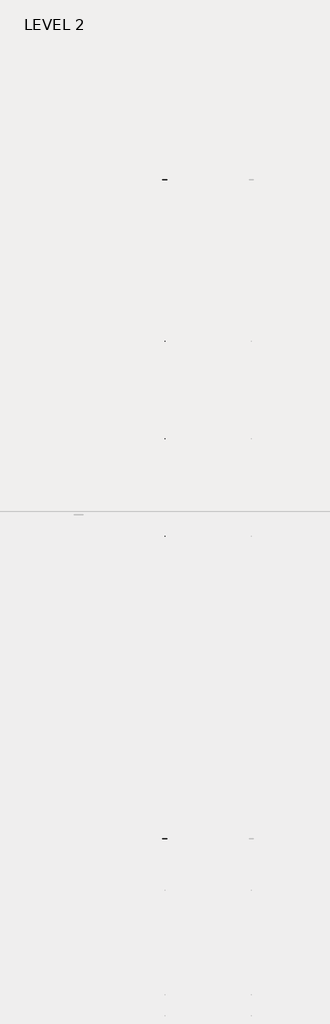
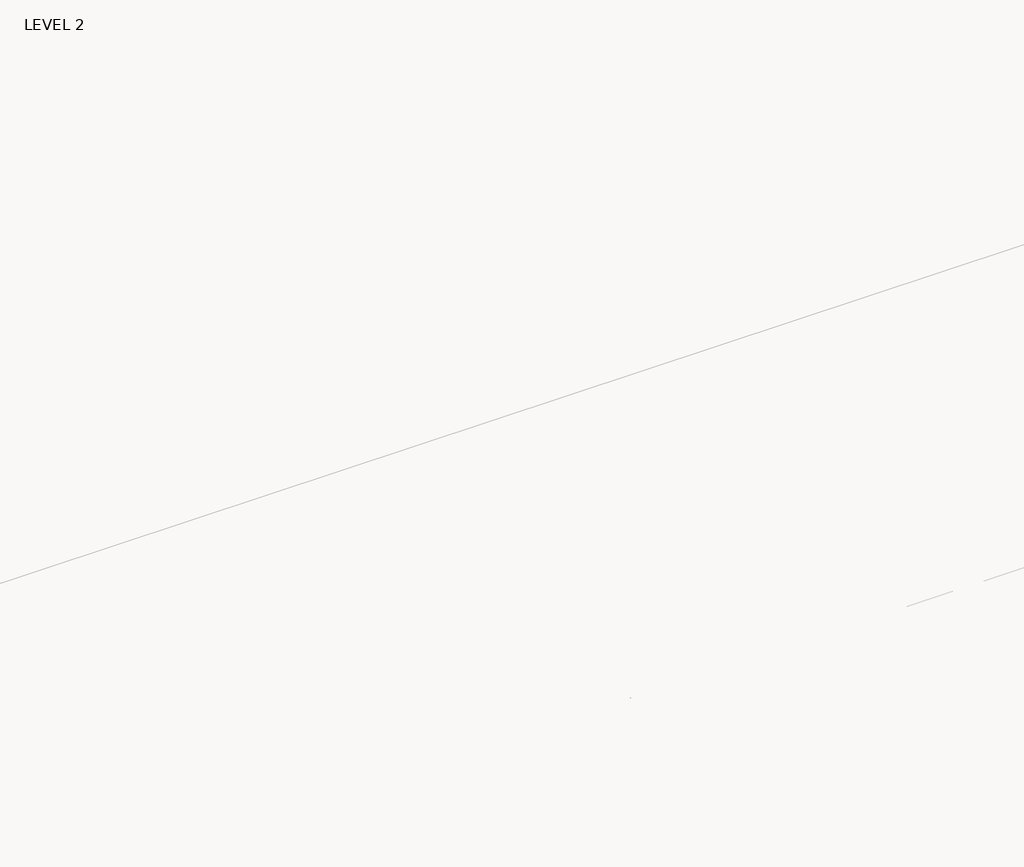
# One storey, part 29 of 67: 1 beam.
"""IFC4 building model written with IfcOpenShell, lengths in millimetres."""

from ifc_helpers import new_model, si_unit, frame, origin, place, context, project, spatial, polyline, outline, extrude, faceted_brep, element, save

model = new_model("IFC4")

# Units and contexts
model_context = context("Model", 3, world=origin())
ifc_project = project(units=[si_unit("LENGTHUNIT", "METRE", prefix="MILLI")], contexts=[model_context])

# Site, building, storey
site = spatial("IfcSite", under=ifc_project)
building = spatial("IfcBuilding", under=site)
storey = spatial("IfcBuildingStorey", under=building, Name="LEVEL 2", Elevation=6908.8)

# Beam
placement = place(None, origin())
element("IfcBeam", 1, ObjectType="K-Series Bar Joist-Angle Web : 30K7", at=placement, inside=storey, context=model_context, shape_type="SolidModel", body=[
    extrude(outline(polyline([(0.0, -9.525), (0.0, 0.0), (1596.0115821, 0.0), (1596.0115821, -9.525), (0.0, -9.525)])), frame((20271.3014942, 3035.5673183, 6301.5781002), z_axis=(0.0, -0.45556647358837693, 0.8902017682201327), x_axis=(0.0, -0.8902017682201327, -0.45556647358837693)), (0.0, 0.0, 1.0), 9.525),
    extrude(outline(polyline([(0.0, -9.525), (0.0, 0.0), (1596.0115821, 0.0), (1596.0115821, -9.525), (0.0, -9.525)])), frame((20261.7764942, -8185.9996768, 6276.4021698), z_axis=(0.0, 0.451567517547248, 0.892236951205349), x_axis=(0.0, 0.8922369512053487, -0.4515675175472479)), (0.0, 0.0, 1.0), 9.525),
    extrude(outline(polyline([(4.7625, 4.7625), (4.7625, -4.7625), (-4.7625, -4.7625), (-4.7625, 4.7625), (4.7625, 4.7625)])), frame((20266.5389942, 1612.6253505, 5578.7283179), z_axis=(0.0, 0.4986662398564941, 0.8667940823675401), x_axis=(-1.0, 0.0, 0.0)), (0.0, 0.0, 1.0), 836.2278721),
    extrude(outline(polyline([(4.7625, 4.7625), (4.7625, -4.7625), (-4.7625, -4.7625), (-4.7625, 4.7625), (4.7625, 4.7625)])), frame((20266.5389942, -6759.8285784, 5559.9444602), z_axis=(0.0, -0.5025505586222128, 0.8645478217128895), x_axis=(-1.0, 0.0, 0.0)), (0.0, 0.0, 1.0), 836.2278721),
    extrude(outline(polyline([(0.0, 0.0), (31.75, 0.0), (31.75, -6.35), (6.35, -6.35), (6.35, -31.75), (0.0, -31.75), (0.0, 0.0)])), frame((20271.3014942, -6861.4140764, 5553.3665341), z_axis=(0.0, 0.9999974832944328, 0.002243525083556974), x_axis=(1.0, 0.0, 0.0)), (0.0, 0.0, 1.0), 8575.675),
    extrude(outline(polyline([(-9.525, 0.0), (-9.525, -31.75), (-15.875, -31.75), (-15.875, -6.35), (-41.275, -6.35), (-41.275, 0.0), (-9.525, 0.0)])), frame((20271.3014942, -6861.4140764, 5553.3665341), z_axis=(0.0, 0.9999974832944328, 0.002243525083556974), x_axis=(1.0, 0.0, 0.0)), (0.0, 0.0, 1.0), 8575.675),
    extrude(outline(polyline([(-31.75, 0.0), (0.0, 0.0), (0.0, -6.35), (-25.4, -6.35), (-25.4, -31.75), (-31.75, -31.75), (-31.75, 0.0)])), frame((20303.0514942, -8285.3775989, 6248.6735861), z_axis=(0.0, 0.9999974832944328, 0.002243525083556974), x_axis=(1.0, 0.0, 0.0)), (0.0, 0.0, 1.0), 101.6),
    extrude(outline(polyline([(-41.275, 0.0), (-41.275, -31.75), (-47.625, -31.75), (-47.625, -6.35), (-73.025, -6.35), (-73.025, 0.0), (-41.275, 0.0)])), frame((20303.0514942, -8285.3775989, 6248.6735861), z_axis=(0.0, 0.9999974832944328, 0.002243525083556974), x_axis=(1.0, 0.0, 0.0)), (0.0, 0.0, 1.0), 101.6),
    extrude(outline(polyline([(0.0, 0.0), (31.75, 0.0), (31.75, -6.35), (6.3500001, -6.35), (6.3500001, -31.75), (0.0, -31.75), (0.0, 0.0)])), frame((20261.7764942, 3033.4689149, 6274.067766), z_axis=(0.0, 0.9999974832944328, 0.002243525083556974), x_axis=(0.0, -0.002243525083556974, 0.9999974832944328)), (0.0, 0.0, 1.0), 101.6),
    extrude(outline(polyline([(0.0, 41.275), (6.3500001, 41.275), (6.3500001, 15.875), (31.75, 15.875), (31.75, 9.525), (0.0, 9.525), (0.0, 41.275)])), frame((20261.7764942, 3033.4689149, 6274.067766), z_axis=(0.0, 0.9999974832944328, 0.002243525083556974), x_axis=(0.0, -0.002243525083556974, 0.9999974832944328)), (0.0, 0.0, 1.0), 101.6),
    extrude(outline(polyline([(0.0, 0.0), (31.75, 0.0), (31.75, -6.35), (6.3500001, -6.35), (6.3500001, -31.75), (0.0, -31.75), (0.0, 0.0)])), frame((20271.3014942, -8285.5200627, 6312.1734263), z_axis=(0.0, 0.9999974832944328, 0.002243525083556974), x_axis=(0.0, 0.002243525083556974, -0.9999974832944328)), (0.0, 0.0, 1.0), 11420.475),
    extrude(outline(polyline([(0.0, 9.525), (0.0, 41.275), (6.3500001, 41.275), (6.3500001, 15.875), (31.75, 15.875), (31.75, 9.525), (0.0, 9.525)])), frame((20271.3014942, -8285.5200627, 6312.1734263), z_axis=(0.0, 0.9999974832944328, 0.002243525083556974), x_axis=(0.0, 0.002243525083556974, -0.9999974832944328)), (0.0, 0.0, 1.0), 11420.475),
    faceted_brep([(20266.5389942, 1612.5897345, 5594.6032779), (20266.5389942, 1612.6324737, 5575.5533259), (20261.7764942, 1612.6324737, 5575.5533259), (20261.7764942, 1612.5897345, 5594.6032779), (20266.5389942, 1611.8662809, 5594.6016549), (20266.5389942, 1204.2909719, 6330.2891009), (20266.5389942, 1185.9644735, 6330.2479849), (20266.5389942, 1186.0072126, 6311.1980328), (20266.5389942, 1193.0806503, 6311.2139023), (20266.5389942, 1600.6559593, 5575.5264562), (20261.7764942, 1600.6559593, 5575.5264562), (20261.7764942, 1581.3312679, 5610.4081886), (20261.7764942, 1585.4971794, 5612.7161288), (20261.7764942, 1206.0305124, 6297.6665096), (20261.7764942, 1201.864601, 6295.3585694), (20261.7764942, 1193.0806503, 6311.2139023), (20261.7764942, 1186.0072126, 6311.1980328), (20261.7764942, 1185.9644735, 6330.2479849), (20261.7764942, 1204.2909719, 6330.2891009), (20261.7764942, 1611.8662809, 5594.6016549), (20249.0764942, 1201.864601, 6295.3585694), (20249.0764942, 1581.3312679, 5610.4081886), (20249.0764942, 1585.4971794, 5612.7161288), (20249.0764942, 1206.0305124, 6297.6665096)], [[[0, 1, 2, 3]], [[1, 0, 4, 5, 6, 7, 8, 9]], [[2, 1, 9, 10]], [[3, 2, 10, 11, 12, 13, 14, 15, 16, 17, 18, 19]], [[0, 3, 19, 4]], [[9, 8, 15, 14, 20, 21, 11, 10]], [[5, 4, 19, 18]], [[7, 6, 17, 16]], [[8, 7, 16, 15]], [[6, 5, 18, 17]], [[21, 22, 12, 11]], [[20, 14, 13, 23]], [[22, 21, 20, 23]], [[12, 22, 23, 13]]]),
    extrude(outline(polyline([(775.3870808, 5573.6749401), (775.3443416, 5592.7248922), (776.0677953, 5592.7265153), (1180.3379431, 6330.2353616), (1198.6644415, 6330.2764776), (1198.7071807, 6311.2265256), (1191.633743, 6311.2106561), (787.3635952, 5573.7018098), (775.3870808, 5573.6749401)])), frame((20266.5389942, 0.0, 0.0), z_axis=(1.0, 0.0, 0.0), x_axis=(0.0, 1.0, 0.0)), (0.0, 0.0, 1.0), 4.7625),
    extrude(outline(polyline([(-4.7625, 4.7624999), (-4.7625, 0.0), (-17.4625, 0.0), (-17.4625, 4.7624999), (-4.7625, 4.7624999)])), frame((20266.5389942, 806.5315763, 5608.6699017), z_axis=(0.0, 0.48067703499299796, 0.876897706708337), x_axis=(-1.0, 0.0, 0.0)), (0.0, 0.0, 1.0), 783.0402132),
    faceted_brep([(20266.5389942, -5922.6188015, 5577.697806), (20266.5389942, -5922.5760624, 5558.647854), (20261.7764942, -5922.5760624, 5558.647854), (20261.7764942, -5922.6188015, 5577.697806), (20266.5389942, -5923.3422552, 5577.696183), (20266.5389942, -6330.9175642, 6313.383629), (20266.5389942, -6349.2440626, 6313.342513), (20266.5389942, -6349.2013234, 6294.2925609), (20266.5389942, -6342.1278857, 6294.3084304), (20266.5389942, -5934.5525767, 5558.6209843), (20261.7764942, -5934.5525767, 5558.6209843), (20261.7764942, -5953.8772681, 5593.5027167), (20261.7764942, -5949.7113567, 5595.8106569), (20261.7764942, -6329.1780236, 6280.7610377), (20261.7764942, -6333.3439351, 6278.4530975), (20261.7764942, -6342.1278857, 6294.3084304), (20261.7764942, -6349.2013234, 6294.2925609), (20261.7764942, -6349.2440626, 6313.342513), (20261.7764942, -6330.9175642, 6313.383629), (20261.7764942, -5923.3422552, 5577.696183), (20249.0764942, -6333.3439351, 6278.4530975), (20249.0764942, -5953.8772681, 5593.5027167), (20249.0764942, -5949.7113567, 5595.8106569), (20249.0764942, -6329.1780236, 6280.7610377)], [[[0, 1, 2, 3]], [[1, 0, 4, 5, 6, 7, 8, 9]], [[2, 1, 9, 10]], [[3, 2, 10, 11, 12, 13, 14, 15, 16, 17, 18, 19]], [[0, 3, 19, 4]], [[9, 8, 15, 14, 20, 21, 11, 10]], [[5, 4, 19, 18]], [[7, 6, 17, 16]], [[8, 7, 16, 15]], [[6, 5, 18, 17]], [[21, 22, 12, 11]], [[20, 14, 13, 23]], [[22, 21, 20, 23]], [[12, 22, 23, 13]]]),
    extrude(outline(polyline([(-6759.8214553, 5556.7694682), (-6759.8641944, 5575.8194203), (-6759.1407407, 5575.8210434), (-6354.8705929, 6313.3298897), (-6336.5440945, 6313.3710057), (-6336.5013554, 6294.3210537), (-6343.5747931, 6294.3051842), (-6747.8449409, 5556.7963379), (-6759.8214553, 5556.7694682)])), frame((20266.5389942, 0.0, 0.0), z_axis=(1.0, 0.0, 0.0), x_axis=(0.0, 1.0, 0.0)), (0.0, 0.0, 1.0), 4.7625),
    extrude(outline(polyline([(-4.7625, 4.7625001), (-4.7625, 0.0), (-17.4625, 0.0), (-17.4625, 4.7625001), (-4.7625, 4.7625001)])), frame((20266.5389942, -6728.6769597, 5591.7644297), z_axis=(0.0, 0.48067703499299796, 0.876897706708337), x_axis=(-1.0, 0.0, 0.0)), (0.0, 0.0, 1.0), 783.0402132),
    faceted_brep([(20266.5389942, 775.3443416, 5592.7248922), (20266.5389942, 775.3870808, 5573.6749401), (20261.7764942, 775.3870808, 5573.6749401), (20261.7764942, 775.3443416, 5592.7248922), (20266.5389942, 774.620888, 5592.7232691), (20266.5389942, 367.045579, 6328.4107152), (20266.5389942, 348.7190806, 6328.3695991), (20266.5389942, 348.7618198, 6309.3196471), (20266.5389942, 355.8352574, 6309.3355165), (20266.5389942, 763.4105664, 5573.6480704), (20261.7764942, 763.4105664, 5573.6480704), (20261.7764942, 744.0858751, 5608.5298028), (20261.7764942, 748.2517865, 5610.837743), (20261.7764942, 368.7851195, 6295.7881239), (20261.7764942, 364.6192081, 6293.4801836), (20261.7764942, 355.8352574, 6309.3355165), (20261.7764942, 348.7618198, 6309.3196471), (20261.7764942, 348.7190806, 6328.3695991), (20261.7764942, 367.045579, 6328.4107152), (20261.7764942, 774.620888, 5592.7232691), (20249.0764942, 364.6192081, 6293.4801836), (20249.0764942, 744.0858751, 5608.5298028), (20249.0764942, 748.2517865, 5610.837743), (20249.0764942, 368.7851195, 6295.7881239)], [[[0, 1, 2, 3]], [[1, 0, 4, 5, 6, 7, 8, 9]], [[2, 1, 9, 10]], [[3, 2, 10, 11, 12, 13, 14, 15, 16, 17, 18, 19]], [[0, 3, 19, 4]], [[9, 8, 15, 14, 20, 21, 11, 10]], [[5, 4, 19, 18]], [[7, 6, 17, 16]], [[8, 7, 16, 15]], [[6, 5, 18, 17]], [[21, 22, 12, 11]], [[20, 14, 13, 23]], [[22, 21, 20, 23]], [[12, 22, 23, 13]]]),
    extrude(outline(polyline([(-61.8583121, 5571.7965544), (-61.9010513, 5590.8465064), (-61.1775976, 5590.8481295), (343.0925503, 6328.3569758), (361.4190486, 6328.3980919), (361.4617878, 6309.3481398), (354.3883501, 6309.3322703), (-49.8817977, 5571.823424), (-61.8583121, 5571.7965544)])), frame((20266.5389942, 0.0, 0.0), z_axis=(1.0, 0.0, 0.0), x_axis=(0.0, 1.0, 0.0)), (0.0, 0.0, 1.0), 4.7625),
    extrude(outline(polyline([(-4.7625, 4.7625), (-4.7625, 0.0), (-17.4625, 0.0), (-17.4625, 4.7625), (-4.7625, 4.7625)])), frame((20266.5389942, -30.7138166, 5606.7915159), z_axis=(0.0, 0.48067703499299796, 0.876897706708337), x_axis=(-1.0, 0.0, 0.0)), (0.0, 0.0, 1.0), 783.0402132),
    faceted_brep([(20266.5389942, -61.9010513, 5590.8465064), (20266.5389942, -61.8583121, 5571.7965544), (20261.7764942, -61.8583121, 5571.7965544), (20261.7764942, -61.9010513, 5590.8465064), (20266.5389942, -62.6245049, 5590.8448833), (20266.5389942, -470.1998139, 6326.5323294), (20266.5389942, -488.5263123, 6326.4912133), (20266.5389942, -488.4835731, 6307.4412613), (20266.5389942, -481.4101355, 6307.4571308), (20266.5389942, -73.8348265, 5571.7696847), (20261.7764942, -73.8348265, 5571.7696847), (20261.7764942, -93.1595178, 5606.651417), (20261.7764942, -88.9936064, 5608.9593573), (20261.7764942, -468.4602734, 6293.9097381), (20261.7764942, -472.6261848, 6291.6017979), (20261.7764942, -481.4101355, 6307.4571308), (20261.7764942, -488.4835731, 6307.4412613), (20261.7764942, -488.5263123, 6326.4912133), (20261.7764942, -470.1998139, 6326.5323294), (20261.7764942, -62.6245049, 5590.8448833), (20249.0764942, -472.6261848, 6291.6017979), (20249.0764942, -93.1595178, 5606.651417), (20249.0764942, -88.9936064, 5608.9593573), (20249.0764942, -468.4602734, 6293.9097381)], [[[0, 1, 2, 3]], [[1, 0, 4, 5, 6, 7, 8, 9]], [[2, 1, 9, 10]], [[3, 2, 10, 11, 12, 13, 14, 15, 16, 17, 18, 19]], [[0, 3, 19, 4]], [[9, 8, 15, 14, 20, 21, 11, 10]], [[5, 4, 19, 18]], [[7, 6, 17, 16]], [[8, 7, 16, 15]], [[6, 5, 18, 17]], [[21, 22, 12, 11]], [[20, 14, 13, 23]], [[22, 21, 20, 23]], [[12, 22, 23, 13]]]),
    extrude(outline(polyline([(-899.103705, 5569.9181686), (-899.1464441, 5588.9681206), (-898.4229905, 5588.9697437), (-494.1528426, 6326.47859), (-475.8263443, 6326.5197061), (-475.7836051, 6307.4697541), (-482.8570428, 6307.4538846), (-887.1271906, 5569.9450383), (-899.103705, 5569.9181686)])), frame((20266.5389942, 0.0, 0.0), z_axis=(1.0, 0.0, 0.0), x_axis=(0.0, 1.0, 0.0)), (0.0, 0.0, 1.0), 4.7625),
    extrude(outline(polyline([(-4.7625, 4.7625), (-4.7625, 0.0), (-17.4625, 0.0), (-17.4625, 4.7625), (-4.7625, 4.7625)])), frame((20266.5389942, -867.9592095, 5604.9131301), z_axis=(0.0, 0.48067703499299796, 0.876897706708337), x_axis=(-1.0, 0.0, 0.0)), (0.0, 0.0, 1.0), 783.0402132),
    faceted_brep([(20266.5389942, -899.1464441, 5588.9681206), (20266.5389942, -899.103705, 5569.9181686), (20261.7764942, -899.103705, 5569.9181686), (20261.7764942, -899.1464441, 5588.9681206), (20266.5389942, -899.8698978, 5588.9664976), (20266.5389942, -1307.4452068, 6324.6539436), (20266.5389942, -1325.7717052, 6324.6128276), (20266.5389942, -1325.728966, 6305.5628755), (20266.5389942, -1318.6555283, 6305.578745), (20266.5389942, -911.0802194, 5569.8912989), (20261.7764942, -911.0802194, 5569.8912989), (20261.7764942, -930.4049107, 5604.7730313), (20261.7764942, -926.2389993, 5607.0809715), (20261.7764942, -1305.7056663, 6292.0313523), (20261.7764942, -1309.8715777, 6289.7234121), (20261.7764942, -1318.6555283, 6305.578745), (20261.7764942, -1325.728966, 6305.5628755), (20261.7764942, -1325.7717052, 6324.6128276), (20261.7764942, -1307.4452068, 6324.6539436), (20261.7764942, -899.8698978, 5588.9664976), (20249.0764942, -1309.8715777, 6289.7234121), (20249.0764942, -930.4049107, 5604.7730313), (20249.0764942, -926.2389993, 5607.0809715), (20249.0764942, -1305.7056663, 6292.0313523)], [[[0, 1, 2, 3]], [[1, 0, 4, 5, 6, 7, 8, 9]], [[2, 1, 9, 10]], [[3, 2, 10, 11, 12, 13, 14, 15, 16, 17, 18, 19]], [[0, 3, 19, 4]], [[9, 8, 15, 14, 20, 21, 11, 10]], [[5, 4, 19, 18]], [[7, 6, 17, 16]], [[8, 7, 16, 15]], [[6, 5, 18, 17]], [[21, 22, 12, 11]], [[20, 14, 13, 23]], [[22, 21, 20, 23]], [[12, 22, 23, 13]]]),
    extrude(outline(polyline([(-1736.3490979, 5568.0397828), (-1736.391837, 5587.0897349), (-1735.6683834, 5587.091358), (-1331.3982355, 6324.6002043), (-1313.0717372, 6324.6413203), (-1313.028998, 6305.5913683), (-1320.1024357, 6305.5754988), (-1724.3725835, 5568.0666525), (-1736.3490979, 5568.0397828)])), frame((20266.5389942, 0.0, 0.0), z_axis=(1.0, 0.0, 0.0), x_axis=(0.0, 1.0, 0.0)), (0.0, 0.0, 1.0), 4.7625),
    extrude(outline(polyline([(-4.7625, 4.7624999), (-4.7625, 0.0), (-17.4625, 0.0), (-17.4625, 4.7624999), (-4.7625, 4.7624999)])), frame((20266.5389942, -1705.2046024, 5603.0347444), z_axis=(0.0, 0.48067703499299796, 0.876897706708337), x_axis=(-1.0, 0.0, 0.0)), (0.0, 0.0, 1.0), 783.0402132),
    faceted_brep([(20266.5389942, -1736.391837, 5587.0897349), (20266.5389942, -1736.3490979, 5568.0397828), (20261.7764942, -1736.3490979, 5568.0397828), (20261.7764942, -1736.391837, 5587.0897349), (20266.5389942, -1737.1152907, 5587.0881118), (20266.5389942, -2144.6905997, 6322.7755579), (20266.5389942, -2163.0170981, 6322.7344418), (20266.5389942, -2162.9743589, 6303.6844897), (20266.5389942, -2155.9009212, 6303.7003592), (20266.5389942, -1748.3256123, 5568.0129131), (20261.7764942, -1748.3256123, 5568.0129131), (20261.7764942, -1767.6503036, 5602.8946455), (20261.7764942, -1763.4843922, 5605.2025857), (20261.7764942, -2142.9510592, 6290.1529666), (20261.7764942, -2147.1169706, 6287.8450263), (20261.7764942, -2155.9009212, 6303.7003592), (20261.7764942, -2162.9743589, 6303.6844897), (20261.7764942, -2163.0170981, 6322.7344418), (20261.7764942, -2144.6905997, 6322.7755579), (20261.7764942, -1737.1152907, 5587.0881118), (20249.0764942, -2147.1169706, 6287.8450263), (20249.0764942, -1767.6503036, 5602.8946455), (20249.0764942, -1763.4843922, 5605.2025857), (20249.0764942, -2142.9510592, 6290.1529666)], [[[0, 1, 2, 3]], [[1, 0, 4, 5, 6, 7, 8, 9]], [[2, 1, 9, 10]], [[3, 2, 10, 11, 12, 13, 14, 15, 16, 17, 18, 19]], [[0, 3, 19, 4]], [[9, 8, 15, 14, 20, 21, 11, 10]], [[5, 4, 19, 18]], [[7, 6, 17, 16]], [[8, 7, 16, 15]], [[6, 5, 18, 17]], [[21, 22, 12, 11]], [[20, 14, 13, 23]], [[22, 21, 20, 23]], [[12, 22, 23, 13]]]),
    extrude(outline(polyline([(-2573.5944908, 5566.1613971), (-2573.6372299, 5585.2113491), (-2572.9137763, 5585.2129722), (-2168.6436284, 6322.7218185), (-2150.31713, 6322.7629346), (-2150.2743909, 6303.7129825), (-2157.3478286, 6303.697113), (-2561.6179764, 5566.1882667), (-2573.5944908, 5566.1613971)])), frame((20266.5389942, 0.0, 0.0), z_axis=(1.0, 0.0, 0.0), x_axis=(0.0, 1.0, 0.0)), (0.0, 0.0, 1.0), 4.7625),
    extrude(outline(polyline([(-4.7625, 4.7625), (-4.7625, 0.0), (-17.4625, 0.0), (-17.4625, 4.7625), (-4.7625, 4.7625)])), frame((20266.5389942, -2542.4499953, 5601.1563586), z_axis=(0.0, 0.48067703499299796, 0.876897706708337), x_axis=(-1.0, 0.0, 0.0)), (0.0, 0.0, 1.0), 783.0402132),
    faceted_brep([(20266.5389942, -2573.6372299, 5585.2113491), (20266.5389942, -2573.5944908, 5566.1613971), (20261.7764942, -2573.5944908, 5566.1613971), (20261.7764942, -2573.6372299, 5585.2113491), (20266.5389942, -2574.3606836, 5585.209726), (20266.5389942, -2981.9359926, 6320.8971721), (20266.5389942, -3000.262491, 6320.856056), (20266.5389942, -3000.2197518, 6301.806104), (20266.5389942, -2993.1463141, 6301.8219735), (20266.5389942, -2585.5710051, 5566.1345274), (20261.7764942, -2585.5710051, 5566.1345274), (20261.7764942, -2604.8956965, 5601.0162597), (20261.7764942, -2600.7297851, 5603.3242), (20261.7764942, -2980.1964521, 6288.2745808), (20261.7764942, -2984.3623635, 6285.9666406), (20261.7764942, -2993.1463141, 6301.8219735), (20261.7764942, -3000.2197518, 6301.806104), (20261.7764942, -3000.262491, 6320.856056), (20261.7764942, -2981.9359926, 6320.8971721), (20261.7764942, -2574.3606836, 5585.209726), (20249.0764942, -2984.3623635, 6285.9666406), (20249.0764942, -2604.8956965, 5601.0162597), (20249.0764942, -2600.7297851, 5603.3242), (20249.0764942, -2980.1964521, 6288.2745808)], [[[0, 1, 2, 3]], [[1, 0, 4, 5, 6, 7, 8, 9]], [[2, 1, 9, 10]], [[3, 2, 10, 11, 12, 13, 14, 15, 16, 17, 18, 19]], [[0, 3, 19, 4]], [[9, 8, 15, 14, 20, 21, 11, 10]], [[5, 4, 19, 18]], [[7, 6, 17, 16]], [[8, 7, 16, 15]], [[6, 5, 18, 17]], [[21, 22, 12, 11]], [[20, 14, 13, 23]], [[22, 21, 20, 23]], [[12, 22, 23, 13]]]),
    extrude(outline(polyline([(-3410.8398837, 5564.2830113), (-3410.8826228, 5583.3329633), (-3410.1591692, 5583.3345864), (-3005.8890213, 6320.8434327), (-2987.5625229, 6320.8845488), (-2987.5197838, 6301.8345968), (-2994.5932215, 6301.8187273), (-3398.8633693, 5564.309881), (-3410.8398837, 5564.2830113)])), frame((20266.5389942, 0.0, 0.0), z_axis=(1.0, 0.0, 0.0), x_axis=(0.0, 1.0, 0.0)), (0.0, 0.0, 1.0), 4.7625),
    extrude(outline(polyline([(-4.7625, 4.7625), (-4.7625, 0.0), (-17.4625, 0.0), (-17.4625, 4.7625), (-4.7625, 4.7625)])), frame((20266.5389942, -3379.6953882, 5599.2779728), z_axis=(0.0, 0.48067703499299796, 0.876897706708337), x_axis=(-1.0, 0.0, 0.0)), (0.0, 0.0, 1.0), 783.0402132),
    faceted_brep([(20266.5389942, -3410.8826228, 5583.3329633), (20266.5389942, -3410.8398837, 5564.2830113), (20261.7764942, -3410.8398837, 5564.2830113), (20261.7764942, -3410.8826228, 5583.3329633), (20266.5389942, -3411.6060765, 5583.3313403), (20266.5389942, -3819.1813855, 6319.0187863), (20266.5389942, -3837.5078839, 6318.9776703), (20266.5389942, -3837.4651447, 6299.9277182), (20266.5389942, -3830.391707, 6299.9435877), (20266.5389942, -3422.816398, 5564.2561416), (20261.7764942, -3422.816398, 5564.2561416), (20261.7764942, -3442.1410894, 5599.137874), (20261.7764942, -3437.975178, 5601.4458142), (20261.7764942, -3817.441845, 6286.396195), (20261.7764942, -3821.6077564, 6284.0882548), (20261.7764942, -3830.391707, 6299.9435877), (20261.7764942, -3837.4651447, 6299.9277182), (20261.7764942, -3837.5078839, 6318.9776703), (20261.7764942, -3819.1813855, 6319.0187863), (20261.7764942, -3411.6060765, 5583.3313403), (20249.0764942, -3821.6077564, 6284.0882548), (20249.0764942, -3442.1410894, 5599.137874), (20249.0764942, -3437.975178, 5601.4458142), (20249.0764942, -3817.441845, 6286.396195)], [[[0, 1, 2, 3]], [[1, 0, 4, 5, 6, 7, 8, 9]], [[2, 1, 9, 10]], [[3, 2, 10, 11, 12, 13, 14, 15, 16, 17, 18, 19]], [[0, 3, 19, 4]], [[9, 8, 15, 14, 20, 21, 11, 10]], [[5, 4, 19, 18]], [[7, 6, 17, 16]], [[8, 7, 16, 15]], [[6, 5, 18, 17]], [[21, 22, 12, 11]], [[20, 14, 13, 23]], [[22, 21, 20, 23]], [[12, 22, 23, 13]]]),
    extrude(outline(polyline([(-4248.0852766, 5562.4046255), (-4248.1280157, 5581.4545776), (-4247.4045621, 5581.4562007), (-3843.1344142, 6318.965047), (-3824.8079158, 6319.006163), (-3824.7651767, 6299.956211), (-3831.8386144, 6299.9403415), (-4236.1087622, 5562.4314952), (-4248.0852766, 5562.4046255)])), frame((20266.5389942, 0.0, 0.0), z_axis=(1.0, 0.0, 0.0), x_axis=(0.0, 1.0, 0.0)), (0.0, 0.0, 1.0), 4.7625),
    extrude(outline(polyline([(-4.7625, 4.7625), (-4.7625, 0.0), (-17.4625, 0.0), (-17.4625, 4.7625), (-4.7625, 4.7625)])), frame((20266.5389942, -4216.9407811, 5597.399587), z_axis=(0.0, 0.48067703499299796, 0.876897706708337), x_axis=(-1.0, 0.0, 0.0)), (0.0, 0.0, 1.0), 783.0402132),
    faceted_brep([(20266.5389942, -4248.1280157, 5581.4545776), (20266.5389942, -4248.0852766, 5562.4046255), (20261.7764942, -4248.0852766, 5562.4046255), (20261.7764942, -4248.1280157, 5581.4545776), (20266.5389942, -4248.8514694, 5581.4529545), (20266.5389942, -4656.4267784, 6317.1404006), (20266.5389942, -4674.7532768, 6317.0992845), (20266.5389942, -4674.7105376, 6298.0493324), (20266.5389942, -4667.6370999, 6298.0652019), (20266.5389942, -4260.0617909, 5562.3777558), (20261.7764942, -4260.0617909, 5562.3777558), (20261.7764942, -4279.3864823, 5597.2594882), (20261.7764942, -4275.2205709, 5599.5674284), (20261.7764942, -4654.6872379, 6284.5178093), (20261.7764942, -4658.8531493, 6282.209869), (20261.7764942, -4667.6370999, 6298.0652019), (20261.7764942, -4674.7105376, 6298.0493324), (20261.7764942, -4674.7532768, 6317.0992845), (20261.7764942, -4656.4267784, 6317.1404006), (20261.7764942, -4248.8514694, 5581.4529545), (20249.0764942, -4658.8531493, 6282.209869), (20249.0764942, -4279.3864823, 5597.2594882), (20249.0764942, -4275.2205709, 5599.5674284), (20249.0764942, -4654.6872379, 6284.5178093)], [[[0, 1, 2, 3]], [[1, 0, 4, 5, 6, 7, 8, 9]], [[2, 1, 9, 10]], [[3, 2, 10, 11, 12, 13, 14, 15, 16, 17, 18, 19]], [[0, 3, 19, 4]], [[9, 8, 15, 14, 20, 21, 11, 10]], [[5, 4, 19, 18]], [[7, 6, 17, 16]], [[8, 7, 16, 15]], [[6, 5, 18, 17]], [[21, 22, 12, 11]], [[20, 14, 13, 23]], [[22, 21, 20, 23]], [[12, 22, 23, 13]]]),
    extrude(outline(polyline([(-5085.3306695, 5560.5262398), (-5085.3734086, 5579.5761918), (-5084.6499549, 5579.5778149), (-4680.3798071, 6317.0866612), (-4662.0533087, 6317.1277773), (-4662.0105696, 6298.0778252), (-4669.0840073, 6298.0619557), (-5073.3541551, 5560.5531094), (-5085.3306695, 5560.5262398)])), frame((20266.5389942, 0.0, 0.0), z_axis=(1.0, 0.0, 0.0), x_axis=(0.0, 1.0, 0.0)), (0.0, 0.0, 1.0), 4.7625),
    extrude(outline(polyline([(-4.7625, 4.7625), (-4.7625, 0.0), (-17.4625, 0.0), (-17.4625, 4.7625), (-4.7625, 4.7625)])), frame((20266.5389942, -5054.186174, 5595.5212013), z_axis=(0.0, 0.48067703499299796, 0.876897706708337), x_axis=(-1.0, 0.0, 0.0)), (0.0, 0.0, 1.0), 783.0402132),
    faceted_brep([(20266.5389942, -5085.3734086, 5579.5761918), (20266.5389942, -5085.3306695, 5560.5262398), (20261.7764942, -5085.3306695, 5560.5262398), (20261.7764942, -5085.3734086, 5579.5761918), (20266.5389942, -5086.0968623, 5579.5745687), (20266.5389942, -5493.6721713, 6315.2620148), (20266.5389942, -5511.9986697, 6315.2208987), (20266.5389942, -5511.9559305, 6296.1709467), (20266.5389942, -5504.8824928, 6296.1868162), (20266.5389942, -5097.3071838, 5560.4993701), (20261.7764942, -5097.3071838, 5560.4993701), (20261.7764942, -5116.6318752, 5595.3811024), (20261.7764942, -5112.4659638, 5597.6890427), (20261.7764942, -5491.9326307, 6282.6394235), (20261.7764942, -5496.0985422, 6280.3314833), (20261.7764942, -5504.8824928, 6296.1868162), (20261.7764942, -5511.9559305, 6296.1709467), (20261.7764942, -5511.9986697, 6315.2208987), (20261.7764942, -5493.6721713, 6315.2620148), (20261.7764942, -5086.0968623, 5579.5745687), (20249.0764942, -5496.0985422, 6280.3314833), (20249.0764942, -5116.6318752, 5595.3811024), (20249.0764942, -5112.4659638, 5597.6890427), (20249.0764942, -5491.9326307, 6282.6394235)], [[[0, 1, 2, 3]], [[1, 0, 4, 5, 6, 7, 8, 9]], [[2, 1, 9, 10]], [[3, 2, 10, 11, 12, 13, 14, 15, 16, 17, 18, 19]], [[0, 3, 19, 4]], [[9, 8, 15, 14, 20, 21, 11, 10]], [[5, 4, 19, 18]], [[7, 6, 17, 16]], [[8, 7, 16, 15]], [[6, 5, 18, 17]], [[21, 22, 12, 11]], [[20, 14, 13, 23]], [[22, 21, 20, 23]], [[12, 22, 23, 13]]]),
    extrude(outline(polyline([(-5922.5760624, 5558.647854), (-5922.6188015, 5577.697806), (-5921.8953478, 5577.6994291), (-5517.6252, 6315.2082754), (-5499.2987016, 6315.2493915), (-5499.2559625, 6296.1994394), (-5506.3294002, 6296.18357), (-5910.599548, 5558.6747237), (-5922.5760624, 5558.647854)])), frame((20266.5389942, 0.0, 0.0), z_axis=(1.0, 0.0, 0.0), x_axis=(0.0, 1.0, 0.0)), (0.0, 0.0, 1.0), 4.7625),
    extrude(outline(polyline([(-4.7625, 4.7625001), (-4.7625, 0.0), (-17.4625, 0.0), (-17.4625, 4.7625001), (-4.7625, 4.7625001)])), frame((20266.5389942, -5891.4315668, 5593.6428155), z_axis=(0.0, 0.48067703499299796, 0.876897706708337), x_axis=(-1.0, 0.0, 0.0)), (0.0, 0.0, 1.0), 783.0402132),
])

save(model, "model.ifc")
